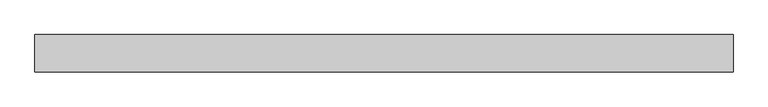
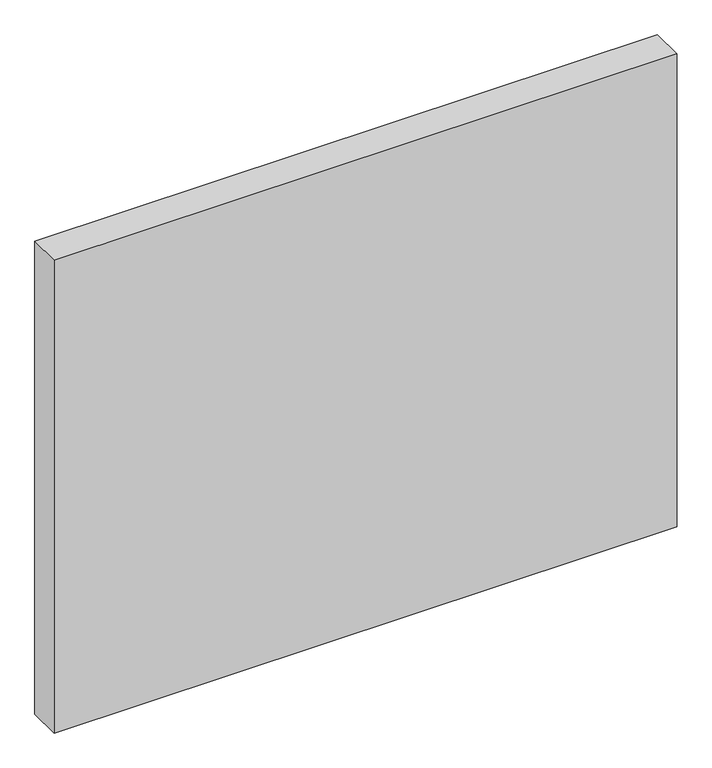
"""IFC4 building model written with IfcOpenShell, lengths in millimetres: proxy geometry."""

from ifc_helpers import new_model, si_unit, frame, origin, place, context, project, spatial, polyline, outline, extrude, source, transform, mapped, element, save


def generic_models_fc6b24cb(model_context):
    return source(origin(), model_context, "Body", "SweptSolid", [
        extrude(outline(polyline([(1639.0, 0.0), (1639.0, -175.0), (-1639.0, -175.0), (-1639.0, 0.0), (1639.0, 0.0)])), frame((0.0, 0.0, -140.0), z_axis=(0.0, 0.0, 1.0), x_axis=(1.0, 0.0, 0.0)), (0.0, 0.0, 1.0), 2630.0),
    ])


if __name__ == "__main__":
    model = new_model("IFC4")
    model_context = context("Model", 3, world=origin())
    ifc_project = project(units=[si_unit("LENGTHUNIT", "METRE", prefix="MILLI")], contexts=[model_context])
    site = spatial("IfcSite", under=ifc_project)
    building = spatial("IfcBuilding", under=site)
    placement = place(None, origin())
    generic_models_shape = generic_models_fc6b24cb(model_context)
    element("IfcBuildingElementProxy", 1, Name="Generic Models", at=placement, inside=building, context=model_context, shape_type="MappedRepresentation", body=[
        mapped(generic_models_shape, transform((0.0, 0.0, 0.0), x_axis=(1.0, 0.0, 0.0), y_axis=(0.0, 1.0, 0.0), z_axis=(0.0, 0.0, 1.0))),
    ])
    save(model, "model.ifc")
